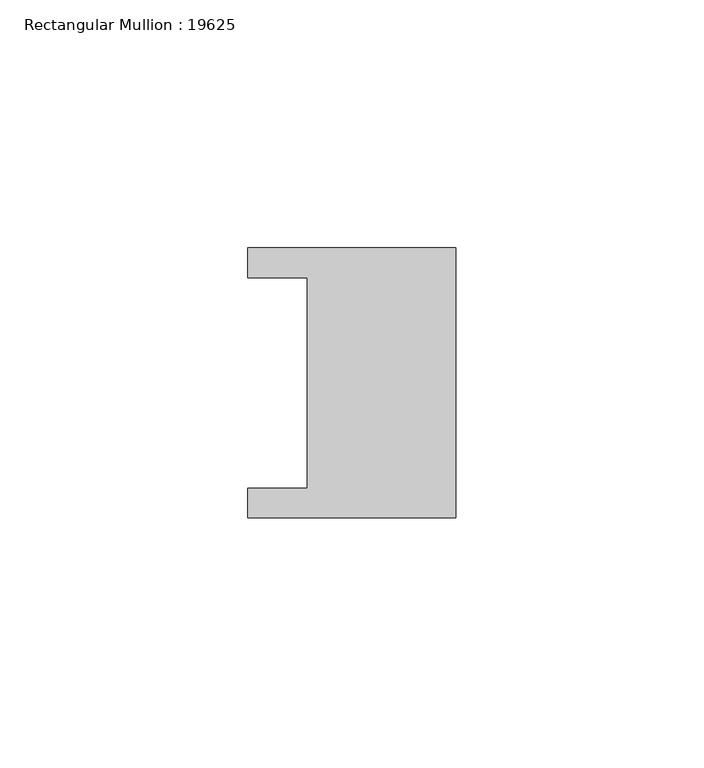
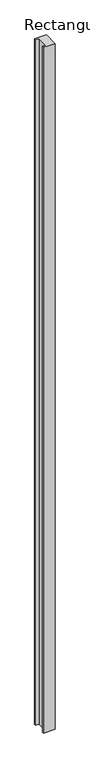
"""IFC4 building model written with IfcOpenShell, lengths in millimetres: member geometry, Rectangular Mullion : 19625."""

from ifc_helpers import new_model, si_unit, frame, origin, place, context, project, spatial, polyline, outline, extrude, source, transform, mapped, element, save


def rectangular_mullion_19625_640ae30e(model_context):
    return source(origin(), model_context, "Body", "SweptSolid", [
        extrude(outline(polyline([(2.0, -27.25), (-40.0, -27.25), (-40.0, -21.25), (-28.0, -21.25), (-28.0, 21.25), (-40.0, 21.25), (-40.0, 27.25), (2.0, 27.25), (2.0, -27.25)])), frame((0.0, 0.0, -2616.0), z_axis=(0.0, 0.0, 1.0), x_axis=(1.0, 0.0, 0.0)), (0.0, 0.0, 1.0), 2616.0),
    ])


if __name__ == "__main__":
    model = new_model("IFC4")
    model_context = context("Model", 3, world=origin())
    ifc_project = project(units=[si_unit("LENGTHUNIT", "METRE", prefix="MILLI")], contexts=[model_context])
    site = spatial("IfcSite", under=ifc_project)
    building = spatial("IfcBuilding", under=site)
    placement = place(None, origin())
    rectangular_mullion_19625_shape = rectangular_mullion_19625_640ae30e(model_context)
    element("IfcMember", 1, ObjectType="Rectangular Mullion : 19625", at=placement, inside=building, context=model_context, shape_type="MappedRepresentation", body=[
        mapped(rectangular_mullion_19625_shape, transform((0.0, 0.0, 0.0), x_axis=(1.0, 0.0, 0.0), y_axis=(0.0, 1.0, 0.0), z_axis=(0.0, 0.0, 1.0))),
    ])
    save(model, "model.ifc")
